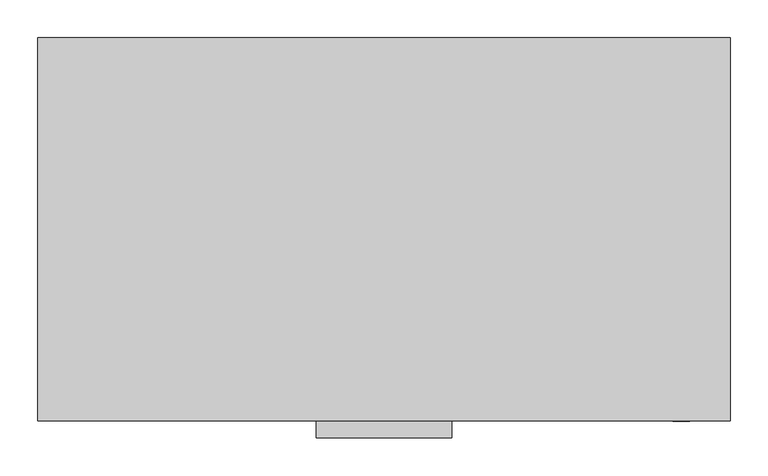
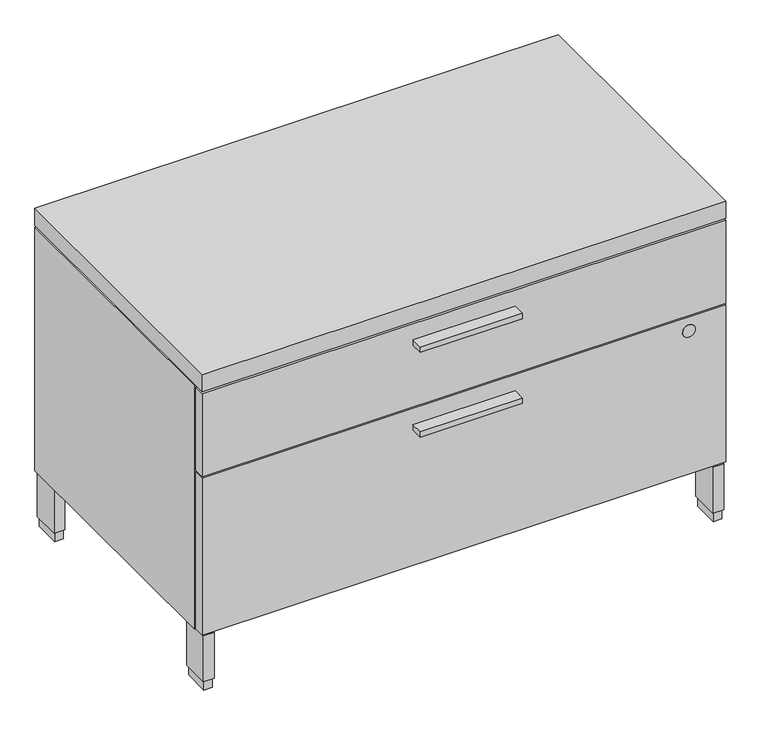
"""IFC4 building model written with IfcOpenShell, lengths in millimetres: furniture geometry."""

import ifcopenshell
import ifcopenshell.guid

model = None  # the IFC model being written
_history = None  # IfcOwnerHistory: only IFC2X3 demands one
_inside = {}  # id of a spatial element -> (the spatial element, [elements in it])
_under = {}  # id of a project, library or spatial element -> (it, [spatial elements below it])
_declared = {}  # id of a project -> (the project, [libraries it declares])
_typed = {}  # id of a type object -> (the type object, [elements of that type])
_made_of = {}  # id of a material, layer set ... -> (it, [elements and type objects made of it])


def new_model(schema):
    """Start an empty IFC model of exactly this schema.

    Asked for "IFC4X3", IfcOpenShell would pick the latest addendum, in which some entities
    have other attributes; the version numbers below select the first issue.
    IFC2X3 requires an IfcOwnerHistory on every rooted entity: one is made here for all.
    """
    global model, _history
    if schema == "IFC4X3":
        model = ifcopenshell.file(schema_version=(4, 3, 0, 0))
    else:
        model = ifcopenshell.file(schema=schema)
    _inside.clear()
    _under.clear()
    _declared.clear()
    _typed.clear()
    _made_of.clear()
    _history = None
    if model.schema == "IFC2X3":
        org = make("IfcOrganization", Name="unknown")
        user = make(
            "IfcPersonAndOrganization",
            ThePerson=make("IfcPerson", FamilyName="unknown"),
            TheOrganization=org,
        )
        app = make(
            "IfcApplication",
            ApplicationDeveloper=org,
            Version="unknown",
            ApplicationFullName="unknown",
            ApplicationIdentifier="unknown",
        )
        _history = make(
            "IfcOwnerHistory",
            OwningUser=user,
            OwningApplication=app,
            ChangeAction="ADDED",
            CreationDate=0,
        )
    return model


def make(cls, **values):
    """One entity of the class cls with the attributes given. An attribute that is None is left unset."""
    return model.create_entity(
        cls, **{name: value for name, value in values.items() if value is not None}
    )


def rooted(cls, **values):
    """An entity with a GlobalId (a new one), such as an element, a storey or a relation."""
    return make(cls, GlobalId=ifcopenshell.guid.new(), OwnerHistory=_history, **values)


def si_unit(unit_type, name, prefix=None):
    """IfcSIUnit, for example si_unit("LENGTHUNIT", "METRE", prefix="MILLI")."""
    return make("IfcSIUnit", UnitType=unit_type, Prefix=prefix, Name=name)


def assignment(units):
    """IfcUnitAssignment: the units of a project."""
    return None if units is None else make("IfcUnitAssignment", Units=units)


def point(xyz):
    """IfcCartesianPoint."""
    return None if xyz is None else make("IfcCartesianPoint", Coordinates=xyz)


def direction(xyz):
    """IfcDirection."""
    return None if xyz is None else make("IfcDirection", DirectionRatios=xyz)


def frame(location, z_axis=None, x_axis=None):
    """IfcAxis2Placement3D, a coordinate frame: its origin and axes. An axis left out is left unset."""
    return make(
        "IfcAxis2Placement3D",
        Location=point(location),
        Axis=direction(z_axis),
        RefDirection=direction(x_axis),
    )


def frame_2d(location, x_axis=None):
    """IfcAxis2Placement2D, a coordinate frame in the plane: its origin and x axis."""
    return make(
        "IfcAxis2Placement2D", Location=point(location), RefDirection=direction(x_axis)
    )


def origin():
    """The frame at (0, 0, 0) with its axes left unset."""
    return frame((0.0, 0.0, 0.0))


def origin_with_axes():
    """The frame at (0, 0, 0) with the z axis (0, 0, 1) and the x axis (1, 0, 0) written out."""
    return frame((0.0, 0.0, 0.0), z_axis=(0.0, 0.0, 1.0), x_axis=(1.0, 0.0, 0.0))


def place(relative_to, where):
    """IfcLocalPlacement: puts the frame where relative to a parent placement (None: the world)."""
    return make(
        "IfcLocalPlacement", PlacementRelTo=relative_to, RelativePlacement=where
    )


def context(
    kind, dimensions, precision=None, world=None, true_north=None, identifier=None
):
    """IfcGeometricRepresentationContext, for example the 3D "Model" context."""
    return make(
        "IfcGeometricRepresentationContext",
        ContextIdentifier=identifier,
        ContextType=kind,
        CoordinateSpaceDimension=dimensions,
        Precision=precision,
        WorldCoordinateSystem=world,
        TrueNorth=true_north,
    )


def project(units=None, contexts=None):
    """IfcProject with its units and contexts."""
    return rooted(
        "IfcProject",
        Name="project",
        RepresentationContexts=contexts,
        UnitsInContext=assignment(units),
    )


def spatial(cls, under=None, at=None, **own):
    """A site, building, storey or space (cls), placed at a placement, below another one or the project."""
    s = rooted(cls, ObjectPlacement=at, **own)
    if under is not None:
        _under.setdefault(under.id(), (under, []))[1].append(s)
    return s


def polyline(points):
    """IfcPolyline through the points."""
    return make("IfcPolyline", Points=[point(p) for p in points])


def circle_curve(where, radius):
    """IfcCircle in the frame where."""
    return make("IfcCircle", Position=where, Radius=radius)


def trimmed(basis, trim1, trim2, sense, master):
    """IfcTrimmedCurve: the piece of a basis curve between two trims."""
    return make(
        "IfcTrimmedCurve",
        BasisCurve=basis,
        Trim1=trim1,
        Trim2=trim2,
        SenseAgreement=sense,
        MasterRepresentation=master,
    )


def segment(curve, same_sense, transition):
    """IfcCompositeCurveSegment."""
    return make(
        "IfcCompositeCurveSegment",
        Transition=transition,
        SameSense=same_sense,
        ParentCurve=curve,
    )


def composite_curve(segments, self_intersect=None):
    """IfcCompositeCurve: segments joined end to end."""
    return make("IfcCompositeCurve", Segments=segments, SelfIntersect=self_intersect)


def outline(outer, holes=None, kind="AREA"):
    """IfcArbitraryClosedProfileDef: a profile drawn as a closed curve; with holes, ...WithVoids."""
    if holes is None:
        return make("IfcArbitraryClosedProfileDef", ProfileType=kind, OuterCurve=outer)
    return make(
        "IfcArbitraryProfileDefWithVoids",
        ProfileType=kind,
        OuterCurve=outer,
        InnerCurves=holes,
    )


def extrude(swept, where, along, depth):
    """IfcExtrudedAreaSolid: the profile swept, set in the frame where, extruded along a direction by depth."""
    return make(
        "IfcExtrudedAreaSolid",
        SweptArea=swept,
        Position=where,
        ExtrudedDirection=direction(along),
        Depth=depth,
    )


def shape(context_of_items, identifier, shape_type, items):
    """IfcShapeRepresentation: the items that make up one representation, for example the "Body"."""
    return make(
        "IfcShapeRepresentation",
        ContextOfItems=context_of_items,
        RepresentationIdentifier=identifier,
        RepresentationType=shape_type,
        Items=items,
    )


def source(mapping_origin, context_of_items, identifier, shape_type, items):
    """IfcRepresentationMap: a shape defined once, which mapped items show again and again."""
    return make(
        "IfcRepresentationMap",
        MappingOrigin=mapping_origin,
        MappedRepresentation=shape(context_of_items, identifier, shape_type, items),
    )


def transform(
    local_origin,
    x_axis=None,
    y_axis=None,
    z_axis=None,
    scale=None,
    scale2=None,
    scale3=None,
    uniform=True,
):
    """IfcCartesianTransformationOperator3D, or its non-uniform kind. x_axis, y_axis, z_axis: its Axis1, 2, 3."""
    if uniform:
        return make(
            "IfcCartesianTransformationOperator3D",
            Axis1=direction(x_axis),
            Axis2=direction(y_axis),
            LocalOrigin=point(local_origin),
            Scale=scale,
            Axis3=direction(z_axis),
        )
    return make(
        "IfcCartesianTransformationOperator3DnonUniform",
        Axis1=direction(x_axis),
        Axis2=direction(y_axis),
        LocalOrigin=point(local_origin),
        Scale=scale,
        Axis3=direction(z_axis),
        Scale2=scale2,
        Scale3=scale3,
    )


def mapped(mapping_source, mapping_target):
    """IfcMappedItem: shows the shape of a source again, moved by a transform."""
    return make(
        "IfcMappedItem", MappingSource=mapping_source, MappingTarget=mapping_target
    )


def made_of(thing, what):
    """Note that an element or type object is made of a material, layer set ...; save() writes the relation."""
    if what is not None:
        _made_of.setdefault(what.id(), (what, []))[1].append(thing)
    return thing


def element(
    cls,
    number,
    at=None,
    inside=None,
    cuts=None,
    type_object=None,
    material=None,
    context=None,
    identifier="Body",
    shape_type=None,
    held_by="IfcProductDefinitionShape",
    body=None,
    shapes=None,
    **own,
):
    """One element of the class cls, such as IfcWall. Its Tag is "e" and its number.

    at: its placement. inside: the storey or other place that contains it. cuts: it is an
    opening in that element (IfcRelVoidsElement). A single representation is given by context,
    identifier, shape_type and body (its items); several are given by shapes. held_by: the class
    of the entity that holds the representations. save() writes the other relations.
    """
    e = rooted(cls, Tag="e%d" % number, ObjectPlacement=at, **own)
    if body is not None:
        shapes = [shape(context, identifier, shape_type, body)]
    if shapes is not None:
        e.Representation = make(held_by, Representations=shapes)
    if inside is not None:
        _inside.setdefault(inside.id(), (inside, []))[1].append(e)
    if cuts is not None:
        rooted(
            "IfcRelVoidsElement", RelatingBuildingElement=cuts, RelatedOpeningElement=e
        )
    if type_object is not None:
        _typed.setdefault(type_object.id(), (type_object, []))[1].append(e)
    return made_of(e, material)


def aggregate(whole, parts):
    """IfcRelAggregates: a whole, such as a stair, and the parts it consists of."""
    return rooted("IfcRelAggregates", RelatingObject=whole, RelatedObjects=parts)


def save(model, path):
    """Write the relations noted so far, then the file.

    IfcRelAggregates (storeys below a building ...), IfcRelContainedInSpatialStructure (elements
    in a storey), IfcRelDefinesByType, IfcRelAssociatesMaterial and IfcRelDeclares: one each for
    every whole, place, type object, material and project.
    """
    for whole, parts in _under.values():
        aggregate(whole, parts)
    for where, things in _inside.values():
        rooted(
            "IfcRelContainedInSpatialStructure",
            RelatedElements=things,
            RelatingStructure=where,
        )
    for kind, things in _typed.values():
        rooted("IfcRelDefinesByType", RelatedObjects=things, RelatingType=kind)
    for what, things in _made_of.values():
        rooted("IfcRelAssociatesMaterial", RelatedObjects=things, RelatingMaterial=what)
    for by, libraries in _declared.values():
        rooted("IfcRelDeclares", RelatingContext=by, RelatedDefinitions=libraries)
    model.write(path)


def furniture_39de5d56(model_context):
    return source(origin(), model_context, "Body", "SweptSolid", [
        extrude(outline(polyline([(546.1, -528.574), (368.3, -528.574), (368.3, -506.349), (546.1, -506.349), (546.1, -528.574)])), frame((0.0, 0.0, 354.838), z_axis=(0.0, 0.0, 1.0), x_axis=(1.0, 0.0, 0.0)), (0.0, 0.0, 1.0), 9.525),
        extrude(outline(polyline([(546.1, -528.574), (368.3, -528.574), (368.3, -506.349), (546.1, -506.349), (546.1, -528.574)])), frame((0.0, 0.0, 510.794), z_axis=(0.0, 0.0, 1.0), x_axis=(1.0, 0.0, 0.0)), (0.0, 0.0, 1.0), 9.525),
        extrude(outline(polyline([(21.2979, -5.715), (21.2979, -52.197), (6.5659, -52.197), (6.5659, -5.715), (21.2979, -5.715)])), origin_with_axes(), (0.0, 0.0, 1.0), 17.399),
        extrude(outline(polyline([(907.8341, -5.715), (907.8341, -52.197), (893.1021, -52.197), (893.1021, -5.715), (907.8341, -5.715)])), origin_with_axes(), (0.0, 0.0, 1.0), 17.399),
        extrude(outline(polyline([(907.8341, -456.057), (907.8341, -502.539), (893.1021, -502.539), (893.1021, -456.057), (907.8341, -456.057)])), origin_with_axes(), (0.0, 0.0, 1.0), 17.399),
        extrude(outline(polyline([(21.2979, -456.057), (21.2979, -502.539), (6.5659, -502.539), (6.5659, -456.057), (21.2979, -456.057)])), origin_with_axes(), (0.0, 0.0, 1.0), 17.399),
        extrude(outline(polyline([(23.4569, -3.556), (23.4569, -54.356), (4.4069, -54.356), (4.4069, -3.556), (23.4569, -3.556)])), frame((0.0, 0.0, 17.399), z_axis=(0.0, 0.0, 1.0), x_axis=(1.0, 0.0, 0.0)), (0.0, 0.0, 1.0), 84.709),
        extrude(outline(polyline([(909.9931, -3.556), (909.9931, -54.356), (890.9431, -54.356), (890.9431, -3.556), (909.9931, -3.556)])), frame((0.0, 0.0, 17.399), z_axis=(0.0, 0.0, 1.0), x_axis=(1.0, 0.0, 0.0)), (0.0, 0.0, 1.0), 84.709),
        extrude(outline(polyline([(909.9931, -453.898), (909.9931, -504.698), (890.9431, -504.698), (890.9431, -453.898), (909.9931, -453.898)])), frame((0.0, 0.0, 17.399), z_axis=(0.0, 0.0, 1.0), x_axis=(1.0, 0.0, 0.0)), (0.0, 0.0, 1.0), 84.709),
        extrude(outline(polyline([(23.4569, -453.898), (23.4569, -504.698), (4.4069, -504.698), (4.4069, -453.898), (23.4569, -453.898)])), frame((0.0, 0.0, 17.399), z_axis=(0.0, 0.0, 1.0), x_axis=(1.0, 0.0, 0.0)), (0.0, 0.0, 1.0), 84.709),
        extrude(outline(composite_curve([segment(trimmed(circle_curve(frame_2d((368.681, 848.7283)), 11.176), [point((368.681, 859.9043))], [point((368.681, 837.5523))], False, "CARTESIAN"), True, "CONTINUOUS"), segment(trimmed(circle_curve(frame_2d((368.681, 848.7283)), 11.176), [point((368.681, 837.5523))], [point((368.681, 859.9043))], False, "CARTESIAN"), True, "CONTINUOUS")], self_intersect=False)), frame((0.0, -506.603, 0.0), z_axis=(0.0, 1.0, 0.0), x_axis=(0.0, 0.0, 1.0)), (0.0, 0.0, 1.0), 4.69392),
        extrude(outline(polyline([(912.8125, -487.045), (912.8125, -506.349), (1.5875, -506.349), (1.5875, -487.045), (912.8125, -487.045)])), frame((0.0, 0.0, 105.283), z_axis=(0.0, 0.0, 1.0), x_axis=(1.0, 0.0, 0.0)), (0.0, 0.0, 1.0), 288.798),
        extrude(outline(polyline([(912.8125, -487.045), (912.8125, -506.349), (1.5875, -506.349), (1.5875, -487.045), (912.8125, -487.045)])), frame((0.0, 0.0, 397.256), z_axis=(0.0, 0.0, 1.0), x_axis=(1.0, 0.0, 0.0)), (0.0, 0.0, 1.0), 152.781),
        extrude(outline(polyline([(912.8125, -506.349), (1.5875, -506.349), (1.5875, -1.524), (912.8125, -1.524), (912.8125, -506.349)])), frame((0.0, 0.0, 553.212), z_axis=(0.0, 0.0, 1.0), x_axis=(1.0, 0.0, 0.0)), (0.0, 0.0, 1.0), 31.75),
        extrude(outline(polyline([(912.8125, -483.2858), (1.5875, -483.2858), (1.5875, -1.524), (912.8125, -1.524), (912.8125, -483.2858)])), frame((0.0, 0.0, 102.108), z_axis=(0.0, 0.0, 1.0), x_axis=(1.0, 0.0, 0.0)), (0.0, 0.0, 1.0), 447.929),
    ])


if __name__ == "__main__":
    model = new_model("IFC4")
    model_context = context("Model", 3, world=origin())
    ifc_project = project(units=[si_unit("LENGTHUNIT", "METRE", prefix="MILLI")], contexts=[model_context])
    site = spatial("IfcSite", under=ifc_project)
    building = spatial("IfcBuilding", under=site)
    placement = place(None, origin())
    furniture_shape = furniture_39de5d56(model_context)
    element("IfcFurniture", 1, at=placement, inside=building, context=model_context, shape_type="MappedRepresentation", body=[
        mapped(furniture_shape, transform((0.0, 0.0, 0.0), x_axis=(1.0, 0.0, 0.0), y_axis=(0.0, 1.0, 0.0), z_axis=(0.0, 0.0, 1.0))),
    ])
    save(model, "model.ifc")
